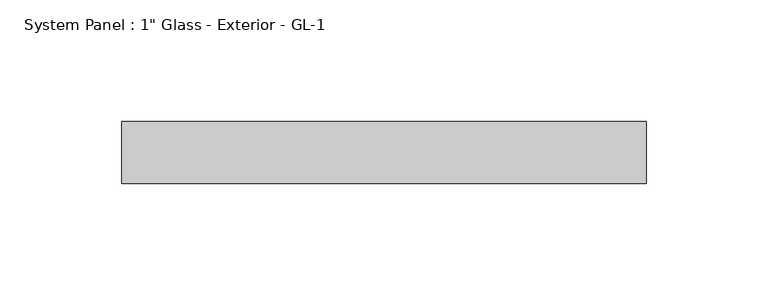
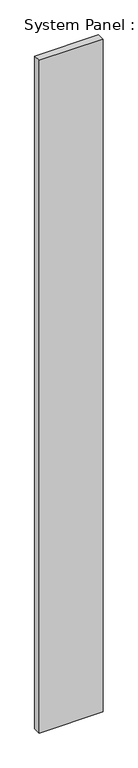
"""IFC4 building model written with IfcOpenShell, lengths in millimetres: plate geometry."""

from ifc_helpers import new_model, si_unit, origin, origin_with_axes, place, context, project, spatial, polyline, outline, extrude, source, transform, mapped, element, save


def plate_21b344c2(model_context):
    return source(origin(), model_context, "Body", "SweptSolid", [
        extrude(outline(polyline([(107.7207174, 12.7), (-107.7207174, 12.7), (-107.7207174, 38.1), (107.7207174, 38.1), (107.7207174, 12.7)])), origin_with_axes(), (0.0, 0.0, 1.0), 2397.125),
    ])


if __name__ == "__main__":
    model = new_model("IFC4")
    model_context = context("Model", 3, world=origin())
    ifc_project = project(units=[si_unit("LENGTHUNIT", "METRE", prefix="MILLI")], contexts=[model_context])
    site = spatial("IfcSite", under=ifc_project)
    building = spatial("IfcBuilding", under=site)
    placement = place(None, origin())
    plate_shape = plate_21b344c2(model_context)
    element("IfcPlate", 1, ObjectType="System Panel : 1\" Glass - Exterior - GL-1", at=placement, inside=building, context=model_context, shape_type="MappedRepresentation", body=[
        mapped(plate_shape, transform((0.0, 0.0, 0.0), x_axis=(1.0, 0.0, 0.0), y_axis=(0.0, 1.0, 0.0), z_axis=(0.0, 0.0, 1.0))),
    ])
    save(model, "model.ifc")
